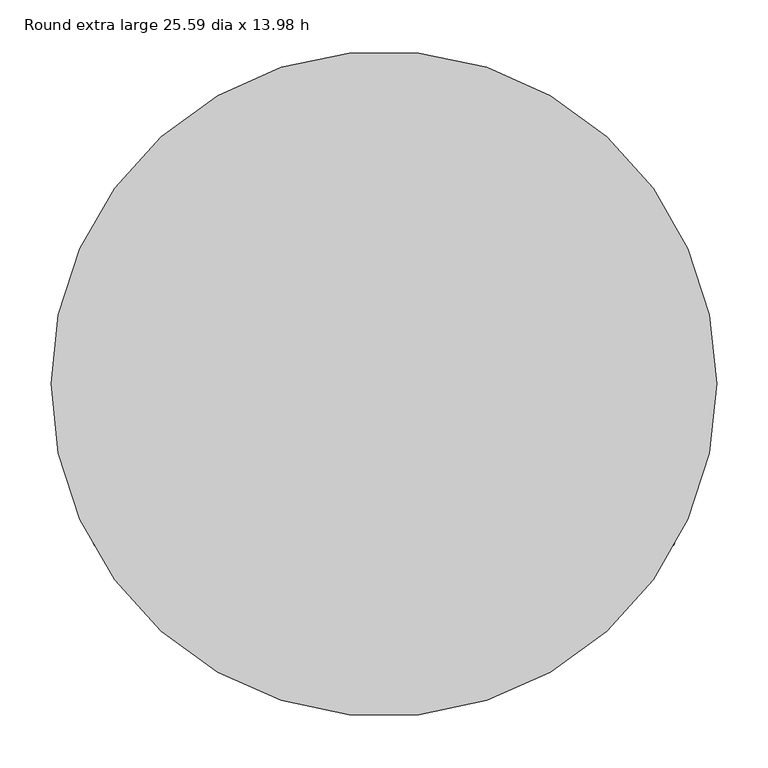
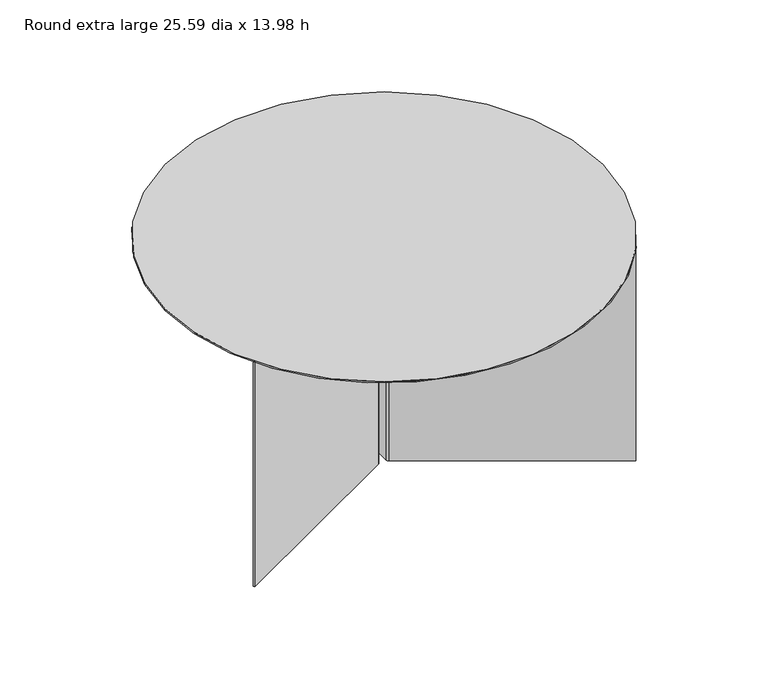
"""IFC4 building model written with IfcOpenShell, lengths in millimetres: furniture geometry, Round extra large 25.59 dia x 13.98 h."""

from ifc_helpers import new_model, si_unit, point, frame, frame_2d, origin, origin_with_axes, origin_2d, place, context, project, spatial, polyline, circle_curve, trimmed, segment, composite_curve, outline, extrude, source, transform, mapped, element, save


def round_extra_large_25_59_dia_x_13_98_h_eb02f771(model_context):
    return source(origin(), model_context, "Body", "SweptSolid", [
        extrude(outline(composite_curve([segment(trimmed(circle_curve(frame_2d((6.2607395, 321.7553606)), 1.2573143), [point((6.2607395, 323.0126749))], [point((7.5180538, 321.7553606))], False, "CARTESIAN"), True, "CONTINUOUS"), segment(polyline([(7.5180538, 321.7553606), (7.5180538, 5.0571921)]), True, "CONTINUOUS"), segment(trimmed(circle_curve(frame_2d((9.7675991, 5.0571921)), 2.2495454), [point((7.5180538, 5.0571921))], [point((8.6428265, 3.1090286))], True, "CARTESIAN"), True, "CONTINUOUS"), segment(polyline([(8.6428265, 3.1090286), (283.7503651, -155.7243828), (282.7503566, -157.45643), (7.6757024, 1.3579957)]), True, "CONTINUOUS"), segment(trimmed(circle_curve(frame_2d((9.8334338, 5.0952962)), 4.315463), [point((7.6757024, 1.3579957))], [point((5.5179709, 5.0952962))], False, "CARTESIAN"), True, "CONTINUOUS"), segment(polyline([(5.5179709, 5.0952962), (5.5179709, 321.0127243), (-5.5179709, 321.0127243), (-5.5179709, 5.1166542)]), True, "CONTINUOUS"), segment(trimmed(circle_curve(frame_2d((-9.8334338, 5.1166542)), 4.315463), [point((-5.5179709, 5.1166542))], [point((-7.6757024, 1.3793537))], False, "CARTESIAN"), True, "CONTINUOUS"), segment(polyline([(-7.6757024, 1.3793537), (-282.786899, -157.4561698), (-283.7868938, -155.7241147), (-8.6428265, 3.1303867)]), True, "CONTINUOUS"), segment(trimmed(circle_curve(frame_2d((-9.7675991, 5.0785501)), 2.2495454), [point((-8.6428265, 3.1303867))], [point((-7.5180538, 5.0785501))], True, "CARTESIAN"), True, "CONTINUOUS"), segment(polyline([(-7.5180538, 5.0785501), (-7.5180538, 321.7553606)]), True, "CONTINUOUS"), segment(trimmed(circle_curve(frame_2d((-6.2607395, 321.7553606)), 1.2573143), [point((-7.5180538, 321.7553606))], [point((-6.2607395, 323.0126749))], False, "CARTESIAN"), True, "CONTINUOUS"), segment(polyline([(-6.2607395, 323.0126749), (6.2607395, 323.0126749)]), True, "CONTINUOUS")], self_intersect=False)), origin_with_axes(), (0.0, 0.0, 1.0), 353.0001829),
        extrude(outline(composite_curve([segment(trimmed(circle_curve(origin_2d(), 324.9635514), [point((-324.9635514, 0.0))], [point((324.9635514, 0.0))], False, "CARTESIAN"), True, "CONTINUOUS"), segment(trimmed(circle_curve(origin_2d(), 324.9635514), [point((324.9635514, 0.0))], [point((-324.9635514, 0.0))], False, "CARTESIAN"), True, "CONTINUOUS")], self_intersect=False)), frame((0.0, 0.0, 353.0001829), z_axis=(0.0, 0.0, 1.0), x_axis=(1.0, 0.0, 0.0)), (0.0, 0.0, 1.0), 2.0000233),
    ])


if __name__ == "__main__":
    model = new_model("IFC4")
    model_context = context("Model", 3, world=origin())
    ifc_project = project(units=[si_unit("LENGTHUNIT", "METRE", prefix="MILLI")], contexts=[model_context])
    site = spatial("IfcSite", under=ifc_project)
    building = spatial("IfcBuilding", under=site)
    placement = place(None, origin())
    round_extra_large_25_59_dia_x_13_98_h_shape = round_extra_large_25_59_dia_x_13_98_h_eb02f771(model_context)
    element("IfcFurniture", 1, ObjectType="Round extra large 25.59 dia x 13.98 h", at=placement, inside=building, context=model_context, shape_type="MappedRepresentation", body=[
        mapped(round_extra_large_25_59_dia_x_13_98_h_shape, transform((0.0, 0.0, 0.0), x_axis=(1.0, 0.0, 0.0), y_axis=(0.0, 1.0, 0.0), z_axis=(0.0, 0.0, 1.0))),
    ])
    save(model, "model.ifc")
